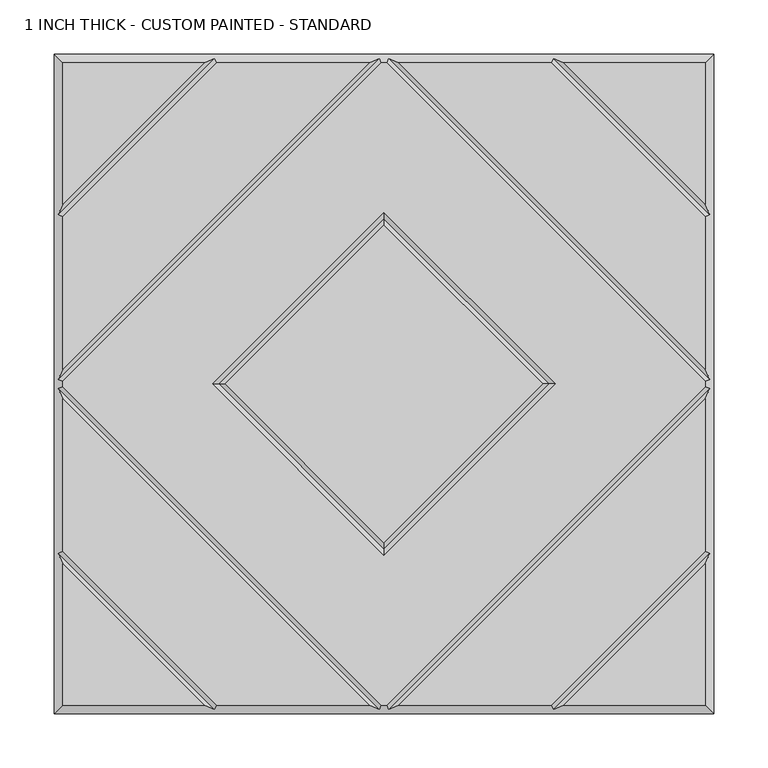
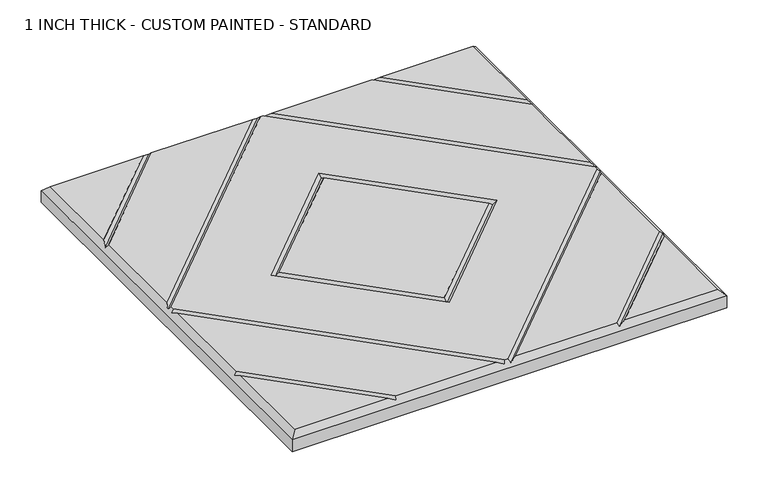
"""IFC4 building model written with IfcOpenShell, lengths in millimetres: proxy geometry, 1 INCH THICK - CUSTOM PAINTED - STANDARD."""

from ifc_helpers import new_model, si_unit, origin, place, context, project, spatial, faceted_brep, source, transform, mapped, element, save


def proxy_1_inch_thick_custom_painted_standard_8eba304e(model_context):
    return source(origin(), model_context, "Body", "Brep", [
        faceted_brep([(296.799, 166.0585868, 25.4), (296.799, 296.799, 25.4), (166.0585868, 296.799, 25.4), (-166.0585868, 296.799, 25.4), (-296.799, 296.799, 25.4), (-296.799, 166.0585868, 25.4), (-2.3434382, -296.799, 25.4), (2.3434382, -296.799, 25.4), (296.799, -2.3434137, 25.4), (296.799, 2.3434632, 25.4), (2.3434141, 296.799, 25.4), (-2.343464, 296.799, 25.4), (-296.799, 2.343464, 25.4), (-296.799, -2.3434137, 25.4), (-158.0575614, 2.54e-05, 25.4), (0.0, 158.0575868, 25.4), (158.0575614, 2.54e-05, 25.4), (0.0, -158.057536, 25.4), (-296.799, -296.799, 25.4), (-166.0590079, -296.799, 25.4), (-296.799, -166.0585721, 25.4), (166.0590079, -296.799, 25.4), (296.799, -296.799, 25.4), (296.799, -166.0585721, 25.4), (-154.743464, 296.799, 25.4), (-296.799, 154.743464, 25.4), (-296.799, 13.6585868, 25.4), (-13.6585868, 296.799, 25.4), (-13.6585605, -296.799, 25.4), (-296.799, -13.6585369, 25.4), (-296.799, -154.7434305, 25.4), (-154.743904, -296.799, 25.4), (296.799, -13.6585369, 25.4), (13.6585605, -296.799, 25.4), (154.743904, -296.799, 25.4), (296.799, -154.7434305, 25.4), (13.6585378, 296.799, 25.4), (296.799, 13.658585, 25.4), (296.799, 154.743464, 25.4), (154.743464, 296.799, 25.4), (0.0, 146.742464, 25.4), (-146.7424386, 2.54e-05, 25.4), (0.0, -146.7424132, 25.4), (146.7424386, 2.54e-05, 25.4), (-304.8, 304.8, 0.0), (304.8, 304.8, 0.0), (304.8, -304.8, 0.0), (-304.8, -304.8, 0.0), (-304.8, -304.8, 17.399), (-304.8, 304.8, 17.399), (304.8, -304.8, 17.399), (304.8, 304.8, 17.399), (-156.4005254, 300.7995, 21.3995), (-4.0005254, 300.7995, 21.3995), (4.0004753, 300.7995, 21.3995), (156.4005254, 300.7995, 21.3995), (-300.7995, -156.4004879, 21.3995), (-300.7995, -4.0004749, 21.3995), (-300.7995, 4.0005254, 21.3995), (-300.7995, 156.4005254, 21.3995), (156.4009693, -300.7995, 21.3995), (4.0004997, -300.7995, 21.3995), (-4.0004997, -300.7995, 21.3995), (-156.4009693, -300.7995, 21.3995), (300.7995, 156.4005254, 21.3995), (300.7995, 4.0005247, 21.3995), (300.7995, -4.0004749, 21.3995), (300.7995, -156.4004879, 21.3995), (0.0, 152.4000254, 21.3995), (-152.4, 2.54e-05, 21.3995), (0.0, -152.3999746, 21.3995), (152.4, 2.54e-05, 21.3995)], [[[0, 1, 2]], [[3, 4, 5]], [[6, 7, 8, 9, 10, 11, 12, 13], [14, 15, 16, 17]], [[18, 19, 20]], [[21, 22, 23]], [[24, 25, 26, 27]], [[28, 29, 30, 31]], [[32, 33, 34, 35]], [[36, 37, 38, 39]], [[40, 41, 42, 43]], [[44, 45, 46, 47]], [[44, 47, 48, 49]], [[47, 46, 50, 48]], [[46, 45, 51, 50]], [[45, 44, 49, 51]], [[49, 4, 3, 52, 24, 27, 53, 11, 10, 54, 36, 39, 55, 2, 1, 51]], [[4, 49, 48, 18, 20, 56, 30, 29, 57, 13, 12, 58, 26, 25, 59, 5]], [[18, 48, 50, 22, 21, 60, 34, 33, 61, 7, 6, 62, 28, 31, 63, 19]], [[51, 1, 0, 64, 38, 37, 65, 9, 8, 66, 32, 35, 67, 23, 22, 50]], [[52, 59, 25, 24]], [[59, 52, 3, 5]], [[53, 58, 12, 11]], [[58, 53, 27, 26]], [[57, 62, 6, 13]], [[62, 57, 29, 28]], [[61, 66, 8, 7]], [[66, 61, 33, 32]], [[65, 54, 10, 9]], [[54, 65, 37, 36]], [[68, 69, 41, 40]], [[69, 68, 15, 14]], [[41, 69, 70, 42]], [[69, 14, 17, 70]], [[42, 70, 71, 43]], [[70, 17, 16, 71]], [[68, 40, 43, 71]], [[15, 68, 71, 16]], [[56, 63, 31, 30]], [[63, 56, 20, 19]], [[67, 60, 21, 23]], [[60, 67, 35, 34]], [[55, 64, 0, 2]], [[64, 55, 39, 38]]]),
    ])


if __name__ == "__main__":
    model = new_model("IFC4")
    model_context = context("Model", 3, world=origin())
    ifc_project = project(units=[si_unit("LENGTHUNIT", "METRE", prefix="MILLI")], contexts=[model_context])
    site = spatial("IfcSite", under=ifc_project)
    building = spatial("IfcBuilding", under=site)
    placement = place(None, origin())
    proxy_1_inch_thick_custom_painted_standard_shape = proxy_1_inch_thick_custom_painted_standard_8eba304e(model_context)
    element("IfcBuildingElementProxy", 1, Name="1 INCH THICK - CUSTOM PAINTED - STANDARD", ObjectType="1 INCH THICK - CUSTOM PAINTED - STANDARD", at=placement, inside=building, context=model_context, shape_type="MappedRepresentation", body=[
        mapped(proxy_1_inch_thick_custom_painted_standard_shape, transform((0.0, 0.0, 0.0), x_axis=(1.0, 0.0, 0.0), y_axis=(0.0, 1.0, 0.0), z_axis=(0.0, 0.0, 1.0))),
    ])
    save(model, "model.ifc")
